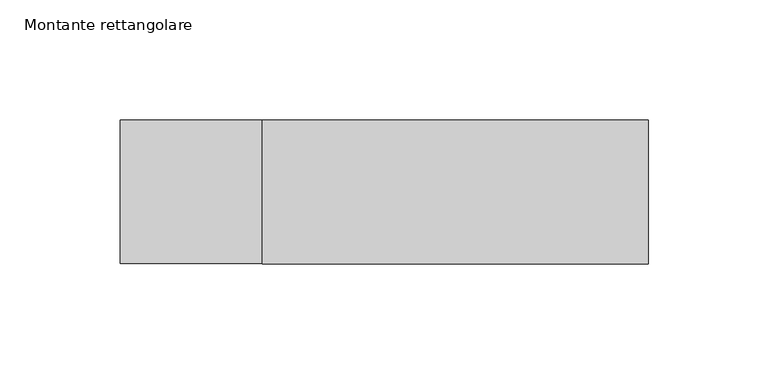
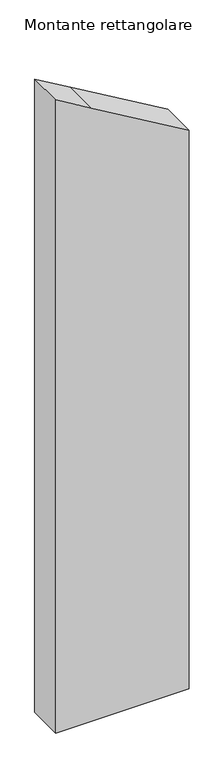
"""IFC4 building model written with IfcOpenShell, lengths in millimetres: member geometry, Montante rettangolare."""

from ifc_helpers import new_model, si_unit, frame, origin, place, context, project, spatial, polyline, outline, extrude, source, transform, mapped, element, save


def montante_rettangolare_c6072495(model_context):
    return source(origin(), model_context, "Body", "SweptSolid", [
        extrude(outline(polyline([(-80.8541622, 110.0), (13.837084, -50.7538363), (48.7357414, -110.0), (-1056.4433136, -110.0), (-1056.4433136, 110.0), (-80.8541622, 110.0)])), frame((0.0, -30.0, 0.0), z_axis=(0.0, 1.0, 0.0), x_axis=(0.0, 0.0, 1.0)), (0.0, 0.0, 1.0), 60.0),
    ])


if __name__ == "__main__":
    model = new_model("IFC4")
    model_context = context("Model", 3, world=origin())
    ifc_project = project(units=[si_unit("LENGTHUNIT", "METRE", prefix="MILLI")], contexts=[model_context])
    site = spatial("IfcSite", under=ifc_project)
    building = spatial("IfcBuilding", under=site)
    placement = place(None, origin())
    montante_rettangolare_shape = montante_rettangolare_c6072495(model_context)
    element("IfcMember", 1, ObjectType="Montante rettangolare", at=placement, inside=building, context=model_context, shape_type="MappedRepresentation", body=[
        mapped(montante_rettangolare_shape, transform((0.0, 0.0, 0.0), x_axis=(1.0, 0.0, 0.0), y_axis=(0.0, 1.0, 0.0), z_axis=(0.0, 0.0, 1.0))),
    ])
    save(model, "model.ifc")
